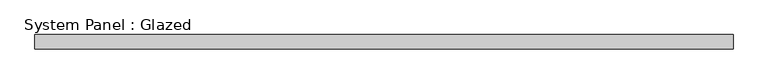
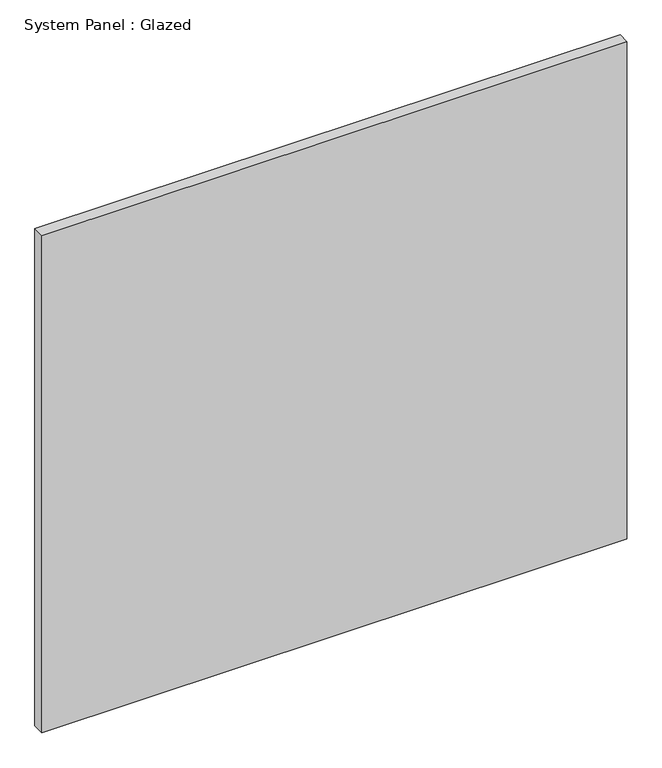
"""IFC4 building model written with IfcOpenShell, lengths in millimetres: plate geometry, System Panel : Glazed."""

from ifc_helpers import new_model, si_unit, origin, origin_with_axes, place, context, project, spatial, polyline, outline, extrude, source, transform, mapped, element, save


def system_panel_glazed_5d036766(model_context):
    return source(origin(), model_context, "Body", "SweptSolid", [
        extrude(outline(polyline([(625.1648864, 19.05), (-625.1648864, 19.05), (-625.1648864, 44.45), (625.1648864, 44.45), (625.1648864, 19.05)])), origin_with_axes(), (0.0, 0.0, 1.0), 1123.95),
    ])


if __name__ == "__main__":
    model = new_model("IFC4")
    model_context = context("Model", 3, world=origin())
    ifc_project = project(units=[si_unit("LENGTHUNIT", "METRE", prefix="MILLI")], contexts=[model_context])
    site = spatial("IfcSite", under=ifc_project)
    building = spatial("IfcBuilding", under=site)
    placement = place(None, origin())
    system_panel_glazed_shape = system_panel_glazed_5d036766(model_context)
    element("IfcPlate", 1, ObjectType="System Panel : Glazed", at=placement, inside=building, context=model_context, shape_type="MappedRepresentation", body=[
        mapped(system_panel_glazed_shape, transform((0.0, 0.0, 0.0), x_axis=(1.0, 0.0, 0.0), y_axis=(0.0, 1.0, 0.0), z_axis=(0.0, 0.0, 1.0))),
    ])
    save(model, "model.ifc")
